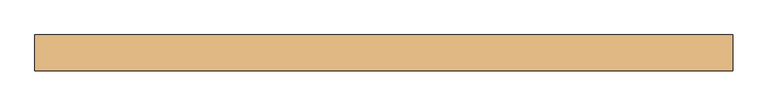
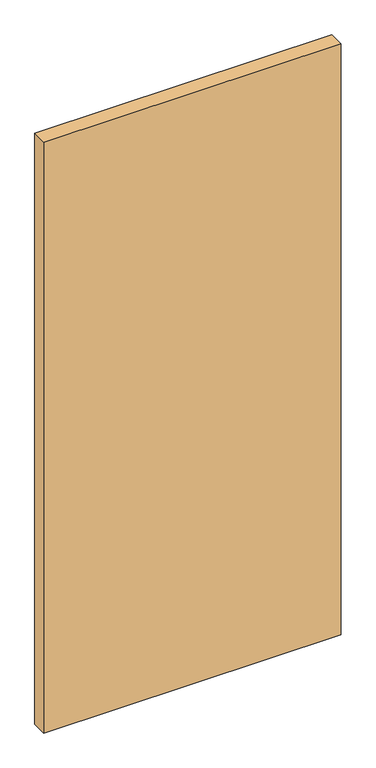
"""IFC4 building model written with IfcOpenShell, lengths in millimetres: door geometry."""

from ifc_helpers import new_model, si_unit, origin, origin_with_axes, place, context, project, spatial, polyline, outline, extrude, source, transform, mapped, element, save


def door_fb3c37fd(model_context):
    return source(origin(), model_context, "Body", "SweptSolid", [
        extrude(outline(polyline([(500.0, 49.0), (-500.0, 49.0), (-500.0, 100.0), (500.0, 100.0), (500.0, 49.0)])), origin_with_axes(), (0.0, 0.0, 1.0), 2100.0),
    ])


if __name__ == "__main__":
    model = new_model("IFC4")
    model_context = context("Model", 3, world=origin())
    ifc_project = project(units=[si_unit("LENGTHUNIT", "METRE", prefix="MILLI")], contexts=[model_context])
    site = spatial("IfcSite", under=ifc_project)
    building = spatial("IfcBuilding", under=site)
    placement = place(None, origin())
    door_shape = door_fb3c37fd(model_context)
    element("IfcDoor", 1, at=placement, inside=building, context=model_context, shape_type="MappedRepresentation", body=[
        mapped(door_shape, transform((0.0, 0.0, 0.0), x_axis=(1.0, 0.0, 0.0), y_axis=(0.0, 1.0, 0.0), z_axis=(0.0, 0.0, 1.0))),
    ])
    save(model, "model.ifc")
